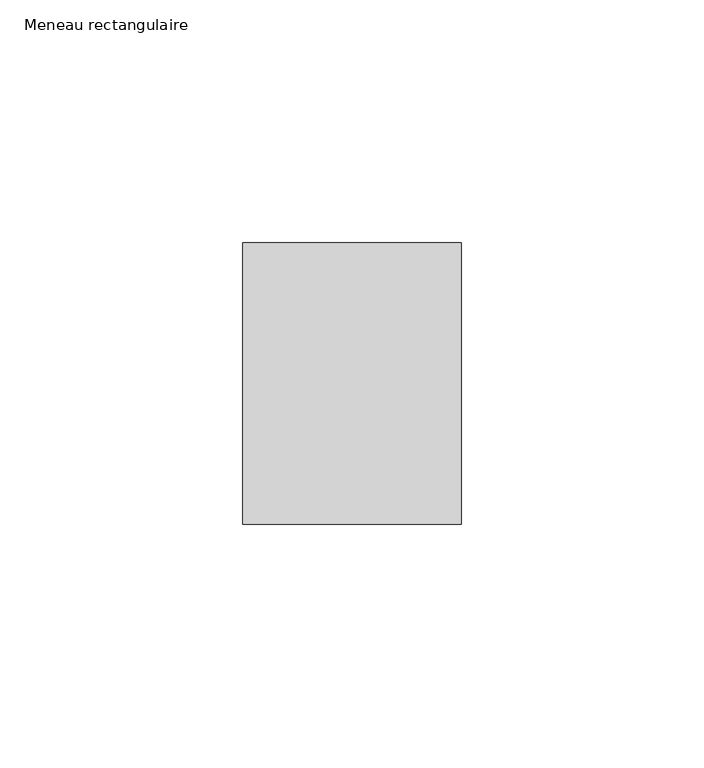
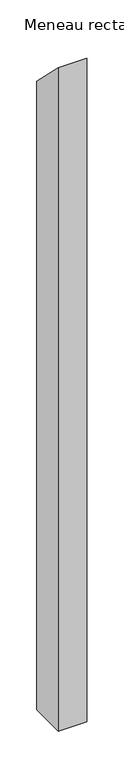
"""IFC4 building model written with IfcOpenShell, lengths in millimetres: member geometry, Meneau rectangulaire."""

from ifc_helpers import new_model, si_unit, frame, origin, place, context, project, spatial, polyline, outline, extrude, source, transform, mapped, element, save


def meneau_rectangulaire_d03a0732(model_context):
    return source(origin(), model_context, "Body", "SweptSolid", [
        extrude(outline(polyline([(-29.0, 29.0), (29.0, -29.0), (29.0, -1071.3830689), (-29.0, -1071.3830689), (-29.0, 29.0)])), frame((-45.0, 0.0, 0.0), z_axis=(1.0, 0.0, 0.0), x_axis=(0.0, 1.0, 0.0)), (0.0, 0.0, 1.0), 45.0),
    ])


if __name__ == "__main__":
    model = new_model("IFC4")
    model_context = context("Model", 3, world=origin())
    ifc_project = project(units=[si_unit("LENGTHUNIT", "METRE", prefix="MILLI")], contexts=[model_context])
    site = spatial("IfcSite", under=ifc_project)
    building = spatial("IfcBuilding", under=site)
    placement = place(None, origin())
    meneau_rectangulaire_shape = meneau_rectangulaire_d03a0732(model_context)
    element("IfcMember", 1, ObjectType="Meneau rectangulaire", at=placement, inside=building, context=model_context, shape_type="MappedRepresentation", body=[
        mapped(meneau_rectangulaire_shape, transform((0.0, 0.0, 0.0), x_axis=(1.0, 0.0, 0.0), y_axis=(0.0, 1.0, 0.0), z_axis=(0.0, 0.0, 1.0))),
    ])
    save(model, "model.ifc")
